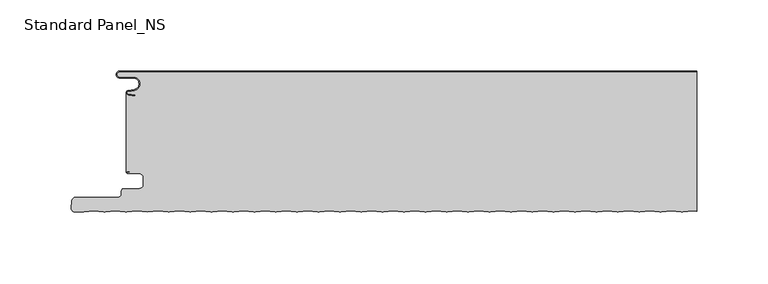
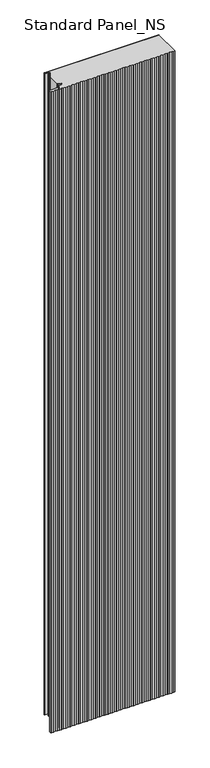
"""IFC4 building model written with IfcOpenShell, lengths in millimetres: proxy geometry, Standard Panel_NS."""

from ifc_helpers import new_model, si_unit, point, frame, frame_2d, origin, origin_with_axes, place, context, project, spatial, polyline, circle_curve, trimmed, segment, composite_curve, outline, extrude, source, transform, mapped, element, save
from ifc_brep_helpers import plane_surface, cylinder_surface, revolved_surface, advanced_brep


def standard_panel_ns_615e825b(model_context):
    return source(origin(), model_context, "Body", "SolidModel", [
        advanced_brep(
        [(200.9757266, -98.2307297, 2400.0), (203.9042607, -98.621201, 2400.0), (203.9042607, -0.8, 2400.0), (-201.4521486, -0.8, 2400.0), (-201.4521486, -4.2, 2400.0), (-191.9521486, -4.2, 2400.0), (-191.1186374, -13.7270772, 2400.0), (-195.4434036, -14.4896502, 2400.0), (-195.4169535, -16.0695512, 2400.0), (-190.4928263, -16.7687564, 2400.0), (-190.6052947, -17.5608112, 2400.0), (-195.529422, -16.8616061, 2400.0), (-196.9042607, -15.3042944, 2400.0), (-196.9042057, -71.327315, 2400.0), (-195.7650669, -70.5050506, 2400.0), (-194.3950677, -70.5050506, 2400.0), (-194.3950677, -71.3050506, 2400.0), (-195.7650669, -71.3050506, 2400.0), (-195.7650669, -72.1054413, 2400.0), (-188.0058392, -72.1054413, 2400.0), (-184.8560353, -75.2552452, 2400.0), (-184.8560353, -79.6552467, 2400.0), (-188.0058392, -82.8050506, 2400.0), (-198.67533, -82.8050506, 2400.0), (-200.2755261, -84.4052467, 2400.0), (-200.2755261, -86.4052467, 2400.0), (-202.67533, -88.8050506, 2400.0), (-232.3045986, -88.8050506, 2400.0), (-235.1937635, -91.4524611, 2400.0), (-235.6090836, -96.199151, 2400.0), (-232.8591806, -99.2001678, 2400.0), (-226.8685673, -99.2001678, 2400.0), (-219.5977818, -98.2307297, 2400.0), (-212.564124, -99.1685508, 2400.0), (-211.6109571, -99.1685508, 2400.0), (-204.5772994, -98.2307297, 2400.0), (-197.5436416, -99.1685508, 2400.0), (-196.5904747, -99.1685508, 2400.0), (-189.5568169, -98.2307297, 2400.0), (-182.0465757, -99.2320952, 2400.0), (-174.5363345, -98.2307297, 2400.0), (-167.5026767, -99.1685508, 2400.0), (-166.5495098, -99.1685508, 2400.0), (-159.515852, -98.2307297, 2400.0), (-152.4821943, -99.1685508, 2400.0), (-151.5290274, -99.1685508, 2400.0), (-144.4953696, -98.2307297, 2400.0), (-137.4617118, -99.1685508, 2400.0), (-136.5085449, -99.1685508, 2400.0), (-129.4748871, -98.2307297, 2400.0), (-122.4412294, -99.1685508, 2400.0), (-121.4880625, -99.1685508, 2400.0), (-114.4544047, -98.2307297, 2400.0), (-107.4207469, -99.1685508, 2400.0), (-106.46758, -99.1685508, 2400.0), (-99.4339222, -98.2307297, 2400.0), (-92.4002645, -99.1685508, 2400.0), (-91.4470976, -99.1685508, 2400.0), (-84.4134398, -98.2307297, 2400.0), (-77.379782, -99.1685508, 2400.0), (-76.4266151, -99.1685508, 2400.0), (-69.3929573, -98.2307297, 2400.0), (-62.3592996, -99.1685508, 2400.0), (-61.4061327, -99.1685508, 2400.0), (-54.3724749, -98.2307297, 2400.0), (-47.3388172, -99.1685508, 2400.0), (-46.3856502, -99.1685508, 2400.0), (-39.3519925, -98.2307297, 2400.0), (-32.3183347, -99.1685508, 2400.0), (-31.3651678, -99.1685508, 2400.0), (-24.33151, -98.2307297, 2400.0), (-17.2978523, -99.1685508, 2400.0), (-16.3446854, -99.1685508, 2400.0), (-9.3110276, -98.2307297, 2400.0), (-2.2773698, -99.1685508, 2400.0), (-1.3242029, -99.1685508, 2400.0), (5.7094549, -98.2307297, 2400.0), (12.7431126, -99.1685508, 2400.0), (13.6962795, -99.1685508, 2400.0), (20.7299373, -98.2307297, 2400.0), (27.7635951, -99.1685508, 2400.0), (28.716762, -99.1685508, 2400.0), (35.7504198, -98.2307297, 2400.0), (42.7840775, -99.1685508, 2400.0), (43.7372444, -99.1685508, 2400.0), (50.7709022, -98.2307297, 2400.0), (57.80456, -99.1685508, 2400.0), (58.7577269, -99.1685508, 2400.0), (65.7913846, -98.2307297, 2400.0), (72.8250424, -99.1685508, 2400.0), (73.7782093, -99.1685508, 2400.0), (80.8118671, -98.2307297, 2400.0), (87.8455248, -99.1685508, 2400.0), (88.7986918, -99.1685508, 2400.0), (95.8323495, -98.2307297, 2400.0), (102.8660073, -99.1685508, 2400.0), (103.8191742, -99.1685508, 2400.0), (110.852832, -98.2307297, 2400.0), (117.8864897, -99.1685508, 2400.0), (118.8396566, -99.1685508, 2400.0), (125.8733144, -98.2307297, 2400.0), (132.9069722, -99.1685508, 2400.0), (133.8601391, -99.1685508, 2400.0), (140.8937969, -98.2307297, 2400.0), (147.9274546, -99.1685508, 2400.0), (148.8806215, -99.1685508, 2400.0), (155.9142793, -98.2307297, 2400.0), (162.9479371, -99.1685508, 2400.0), (163.901104, -99.1685508, 2400.0), (170.9347618, -98.2307297, 2400.0), (177.9684195, -99.1685508, 2400.0), (178.9215864, -99.1685508, 2400.0), (185.9552442, -98.2307297, 2400.0), (192.9889019, -99.1685508, 2400.0), (193.9420689, -99.1685508, 2400.0), (-196.9042057, -71.327315, 0.0), (-196.9042607, -15.3042944, 0.0), (-195.529422, -16.8616061, 0.0), (-190.6052947, -17.5608112, 0.0), (-190.4928263, -16.7687564, 0.0), (-195.4169535, -16.0695512, 0.0), (-195.4434036, -14.4896502, 0.0), (-191.1186374, -13.7270772, 0.0), (-191.9521486, -4.2, 0.0), (-201.4521486, -4.2, 0.0), (-201.4521486, -0.8, 0.0), (203.9042607, -0.8, 0.0), (203.9042607, -98.621201, 0.0), (200.9757266, -98.2307297, 0.0), (193.9420689, -99.1685508, 0.0), (192.9889019, -99.1685508, 0.0), (185.9552442, -98.2307297, 0.0), (178.9215864, -99.1685508, 0.0), (177.9684195, -99.1685508, 0.0), (170.9347618, -98.2307297, 0.0), (163.901104, -99.1685508, 0.0), (162.9479371, -99.1685508, 0.0), (155.9142793, -98.2307297, 0.0), (148.8806215, -99.1685508, 0.0), (147.9274546, -99.1685508, 0.0), (140.8937969, -98.2307297, 0.0), (133.8601391, -99.1685508, 0.0), (132.9069722, -99.1685508, 0.0), (125.8733144, -98.2307297, 0.0), (118.8396566, -99.1685508, 0.0), (117.8864897, -99.1685508, 0.0), (110.852832, -98.2307297, 0.0), (103.8191742, -99.1685508, 0.0), (102.8660073, -99.1685508, 0.0), (95.8323495, -98.2307297, 0.0), (88.7986918, -99.1685508, 0.0), (87.8455248, -99.1685508, 0.0), (80.8118671, -98.2307297, 0.0), (73.7782093, -99.1685508, 0.0), (72.8250424, -99.1685508, 0.0), (65.7913846, -98.2307297, 0.0), (58.7577269, -99.1685508, 0.0), (57.80456, -99.1685508, 0.0), (50.7709022, -98.2307297, 0.0), (43.7372444, -99.1685508, 0.0), (42.7840775, -99.1685508, 0.0), (35.7504198, -98.2307297, 0.0), (28.716762, -99.1685508, 0.0), (27.7635951, -99.1685508, 0.0), (20.7299373, -98.2307297, 0.0), (13.6962795, -99.1685508, 0.0), (12.7431126, -99.1685508, 0.0), (5.7094549, -98.2307297, 0.0), (-1.3242029, -99.1685508, 0.0), (-2.2773698, -99.1685508, 0.0), (-9.3110276, -98.2307297, 0.0), (-16.3446854, -99.1685508, 0.0), (-17.2978523, -99.1685508, 0.0), (-24.33151, -98.2307297, 0.0), (-31.3651678, -99.1685508, 0.0), (-32.3183347, -99.1685508, 0.0), (-39.3519925, -98.2307297, 0.0), (-46.3856502, -99.1685508, 0.0), (-47.3388172, -99.1685508, 0.0), (-54.3724749, -98.2307297, 0.0), (-61.4061327, -99.1685508, 0.0), (-62.3592996, -99.1685508, 0.0), (-69.3929573, -98.2307297, 0.0), (-76.4266151, -99.1685508, 0.0), (-77.379782, -99.1685508, 0.0), (-84.4134398, -98.2307297, 0.0), (-91.4470976, -99.1685508, 0.0), (-92.4002645, -99.1685508, 0.0), (-99.4339222, -98.2307297, 0.0), (-106.46758, -99.1685508, 0.0), (-107.4207469, -99.1685508, 0.0), (-114.4544047, -98.2307297, 0.0), (-121.4880625, -99.1685508, 0.0), (-122.4412294, -99.1685508, 0.0), (-129.4748871, -98.2307297, 0.0), (-136.5085449, -99.1685508, 0.0), (-137.4617118, -99.1685508, 0.0), (-144.4953696, -98.2307297, 0.0), (-151.5290274, -99.1685508, 0.0), (-152.4821943, -99.1685508, 0.0), (-159.515852, -98.2307297, 0.0), (-166.5495098, -99.1685508, 0.0), (-167.5026767, -99.1685508, 0.0), (-174.5363345, -98.2307297, 0.0), (-182.0465757, -99.2320952, 0.0), (-189.5568169, -98.2307297, 0.0), (-196.5904747, -99.1685508, 0.0), (-197.5436416, -99.1685508, 0.0), (-204.5772994, -98.2307297, 0.0), (-211.6109571, -99.1685508, 0.0), (-212.564124, -99.1685508, 0.0), (-219.5977818, -98.2307297, 0.0), (-226.8685673, -99.2001678, 0.0), (-232.8591806, -99.2001678, 0.0), (-235.6090836, -96.199151, 0.0), (-235.1937635, -91.4524611, 0.0), (-232.3045986, -88.8050506, 0.0), (-202.67533, -88.8050506, 0.0), (-200.2755261, -86.4052467, 0.0), (-200.2755261, -84.4052467, 0.0), (-198.67533, -82.8050506, 0.0), (-188.0058392, -82.8050506, 0.0), (-184.8560353, -79.6552467, 0.0), (-184.8560353, -75.2552452, 0.0), (-188.0058392, -72.1054412, 0.0), (-195.7650669, -72.1054413, 0.0), (-195.7650669, -71.3050506, 0.0), (-194.3950677, -71.3050506, 0.0), (-194.3950677, -70.5050506, 0.0), (-195.7650669, -70.5050506, 0.0)],
        [
            (0, 1),
            (1, 2),
            (2, 3),
            (3, 4, circle_curve(frame((-201.4521486, -2.5, 2400.0), z_axis=(0.0, 0.0, 1.0), x_axis=(2.9071553329994335e-12, 1.0, 0.0)), 1.7)),
            (4, 5),
            (5, 6, circle_curve(frame((-191.9521486, -9.0, 2400.0), z_axis=(0.0, 0.0, -1.0), x_axis=(1.863723325530669e-12, 1.0, 0.0)), 4.8)),
            (6, 7),
            (7, 8, circle_curve(frame((-195.3044851, -15.2774964, 2400.0), z_axis=(0.0, 0.0, 1.0), x_axis=(-0.17364817766971952, 0.9848077530117163, 0.0)), 0.8)),
            (8, 9),
            (9, 10),
            (10, 11),
            (11, 12, circle_curve(frame((-195.3044851, -15.2774964, 2400.0), z_axis=(0.0, 0.0, -1.0), x_axis=(-0.17364817766971952, 0.9848077530117163, 0.0)), 1.6)),
            (12, 13),
            (13, 14, circle_curve(frame((-195.7650669, -71.7052459, 2400.0), z_axis=(0.0, 0.0, -1.0), x_axis=(0.0, 1.0, 0.0)), 1.2001953)),
            (14, 15),
            (15, 16),
            (16, 17),
            (17, 18, circle_curve(frame((-195.7650669, -71.7052459, 2400.0), z_axis=(0.0, 0.0, 1.0), x_axis=(0.0, 1.0, 0.0)), 0.4001953)),
            (18, 19),
            (19, 20, circle_curve(frame((-188.0058392, -75.2552452, 2400.0), z_axis=(0.0, 0.0, -1.0), x_axis=(-8.279395323838365e-05, 0.9999999965725807, 0.0)), 3.1498039)),
            (20, 21),
            (21, 22, circle_curve(frame((-188.0058392, -79.6552467, 2400.0), z_axis=(0.0, 0.0, -1.0), x_axis=(0.9999999965725804, -8.27939563282879e-05, 0.0)), 3.1498039)),
            (22, 23),
            (23, 24, circle_curve(frame((-198.67533, -84.4052467, 2400.0), z_axis=(0.0, 0.0, 1.0), x_axis=(-8.105569453527465e-05, 0.9999999967149873, 0.0)), 1.6001961)),
            (24, 25),
            (25, 26, circle_curve(frame((-202.67533, -86.4052467, 2400.0), z_axis=(0.0, 0.0, -1.0), x_axis=(0.9999999926057013, -0.00012160837719944603, 0.0)), 2.3998039)),
            (26, 27),
            (27, 28, circle_curve(frame((-232.3045986, -91.7052538, 2400.0), z_axis=(0.0, 0.0, 1.0), x_axis=(-5.9816804069483736e-05, 0.9999999982109751, 0.0)), 2.9002032)),
            (28, 29),
            (29, 30, circle_curve(frame((-232.8591806, -96.4397587, 2400.0), z_axis=(0.0, 0.0, 1.0), x_axis=(-0.9961854900933174, 0.08726092669423802, 0.0)), 2.7604092)),
            (30, 31),
            (31, 32),
            (32, 33),
            (33, 34, circle_curve(frame((-212.0875406, -95.5941749, 2400.0), z_axis=(0.0, 0.0, 1.0), x_axis=(-0.1321637200962343, -0.9912279006819392, 0.0)), 3.6060082)),
            (34, 35),
            (35, 36),
            (36, 37, circle_curve(frame((-197.0670581, -95.5941749, 2400.0), z_axis=(0.0, 0.0, 1.0), x_axis=(-0.13216372008395674, -0.9912279006835761, 0.0)), 3.6060082)),
            (37, 38),
            (38, 39),
            (39, 40),
            (40, 41),
            (41, 42, circle_curve(frame((-167.0260933, -95.5941749, 2400.0), z_axis=(0.0, 0.0, 1.0), x_axis=(-0.13216372069094426, -0.9912279006026445, 0.0)), 3.6060082)),
            (42, 43),
            (43, 44),
            (44, 45, circle_curve(frame((-152.0056108, -95.5941749, 2400.0), z_axis=(0.0, 0.0, 1.0), x_axis=(-0.13216372067834242, -0.9912279006043248, 0.0)), 3.6060082)),
            (45, 46),
            (46, 47),
            (47, 48, circle_curve(frame((-136.9851284, -95.5941749, 2400.0), z_axis=(0.0, 0.0, 1.0), x_axis=(-0.13216372069083632, -0.991227900602659, 0.0)), 3.6060082)),
            (48, 49),
            (49, 50),
            (50, 51, circle_curve(frame((-121.9646459, -95.5941749, 2400.0), z_axis=(0.0, 0.0, 1.0), x_axis=(-0.13216372067834242, -0.9912279006043248, 0.0)), 3.6060082)),
            (51, 52),
            (52, 53),
            (53, 54, circle_curve(frame((-106.9441635, -95.5941749, 2400.0), z_axis=(0.0, 0.0, 1.0), x_axis=(-0.13216372069083587, -0.991227900602659, 0.0)), 3.6060082)),
            (54, 55),
            (55, 56),
            (56, 57, circle_curve(frame((-91.923681, -95.5941749, 2400.0), z_axis=(0.0, 0.0, 1.0), x_axis=(-0.1321637206909443, -0.9912279006026445, 0.0)), 3.6060082)),
            (57, 58),
            (58, 59),
            (59, 60, circle_curve(frame((-76.9031986, -95.5941749, 2400.0), z_axis=(0.0, 0.0, 1.0), x_axis=(-0.13216372067834242, -0.9912279006043248, 0.0)), 3.6060082)),
            (60, 61),
            (61, 62),
            (62, 63, circle_curve(frame((-61.8827161, -95.5941749, 2400.0), z_axis=(0.0, 0.0, 1.0), x_axis=(-0.13216372067834242, -0.9912279006043248, 0.0)), 3.6060082)),
            (63, 64),
            (64, 65),
            (65, 66, circle_curve(frame((-46.8622337, -95.5941749, 2400.0), z_axis=(0.0, 0.0, 1.0), x_axis=(-0.13216372067834242, -0.9912279006043249, 0.0)), 3.6060082)),
            (66, 67),
            (67, 68),
            (68, 69, circle_curve(frame((-31.8417513, -95.5941749, 2400.0), z_axis=(0.0, 0.0, 1.0), x_axis=(-0.13216372069083587, -0.991227900602659, 0.0)), 3.6060082)),
            (69, 70),
            (70, 71),
            (71, 72, circle_curve(frame((-16.8212688, -95.5941749, 2400.0), z_axis=(0.0, 0.0, 1.0), x_axis=(-0.13216372067834242, -0.9912279006043249, 0.0)), 3.6060082)),
            (72, 73),
            (73, 74),
            (74, 75, circle_curve(frame((-1.8007864, -95.5941749, 2400.0), z_axis=(0.0, 0.0, 1.0), x_axis=(-0.13216372067834242, -0.9912279006043249, 0.0)), 3.6060082)),
            (75, 76),
            (76, 77),
            (77, 78, circle_curve(frame((13.2196961, -95.5941749, 2400.0), z_axis=(0.0, 0.0, 1.0), x_axis=(-0.13216372067834242, -0.9912279006043248, 0.0)), 3.6060082)),
            (78, 79),
            (79, 80),
            (80, 81, circle_curve(frame((28.2401785, -95.5941749, 2400.0), z_axis=(0.0, 0.0, 1.0), x_axis=(-0.13216372069083632, -0.991227900602659, 0.0)), 3.6060082)),
            (81, 82),
            (82, 83),
            (83, 84, circle_curve(frame((43.260661, -95.5941749, 2400.0), z_axis=(0.0, 0.0, 1.0), x_axis=(-0.1321637206909443, -0.9912279006026445, 0.0)), 3.6060082)),
            (84, 85),
            (85, 86),
            (86, 87, circle_curve(frame((58.2811434, -95.5941749, 2400.0), z_axis=(0.0, 0.0, 1.0), x_axis=(-0.13216372067834242, -0.9912279006043249, 0.0)), 3.6060082)),
            (87, 88),
            (88, 89),
            (89, 90, circle_curve(frame((73.3016259, -95.5941749, 2400.0), z_axis=(0.0, 0.0, 1.0), x_axis=(-0.1321637206909443, -0.9912279006026445, 0.0)), 3.6060082)),
            (90, 91),
            (91, 92),
            (92, 93, circle_curve(frame((88.3221083, -95.5941749, 2400.0), z_axis=(0.0, 0.0, 1.0), x_axis=(-0.13216372067834242, -0.9912279006043248, 0.0)), 3.6060082)),
            (93, 94),
            (94, 95),
            (95, 96, circle_curve(frame((103.3425907, -95.5941749, 2400.0), z_axis=(0.0, 0.0, 1.0), x_axis=(-0.1321637206908359, -0.991227900602659, 0.0)), 3.6060082)),
            (96, 97),
            (97, 98),
            (98, 99, circle_curve(frame((118.3630732, -95.5941749, 2400.0), z_axis=(0.0, 0.0, 1.0), x_axis=(-0.13216372069094426, -0.9912279006026445, 0.0)), 3.6060082)),
            (99, 100),
            (100, 101),
            (101, 102, circle_curve(frame((133.3835556, -95.5941749, 2400.0), z_axis=(0.0, 0.0, 1.0), x_axis=(-0.13216372067834242, -0.9912279006043248, 0.0)), 3.6060082)),
            (102, 103),
            (103, 104),
            (104, 105, circle_curve(frame((148.4040381, -95.5941749, 2400.0), z_axis=(0.0, 0.0, 1.0), x_axis=(-0.1321637206909443, -0.9912279006026445, 0.0)), 3.6060082)),
            (105, 106),
            (106, 107),
            (107, 108, circle_curve(frame((163.4245205, -95.5941749, 2400.0), z_axis=(0.0, 0.0, 1.0), x_axis=(-0.1321637206908359, -0.991227900602659, 0.0)), 3.6060082)),
            (108, 109),
            (109, 110),
            (110, 111, circle_curve(frame((178.445003, -95.5941749, 2400.0), z_axis=(0.0, 0.0, 1.0), x_axis=(-0.13216372067834242, -0.9912279006043248, 0.0)), 3.6060082)),
            (111, 112),
            (112, 113),
            (113, 114, circle_curve(frame((193.4654854, -95.5941749, 2400.0), z_axis=(0.0, 0.0, 1.0), x_axis=(-0.1321637206908363, -0.991227900602659, 0.0)), 3.6060082)),
            (114, 0),
            (115, 116),
            (116, 117, circle_curve(frame((-195.3044851, -15.2774964, 0.0), z_axis=(0.0, 0.0, 1.0), x_axis=(-0.17364817766971952, 0.9848077530117163, 0.0)), 1.6)),
            (117, 118),
            (118, 119),
            (119, 120),
            (120, 121, circle_curve(frame((-195.3044851, -15.2774964, 0.0), z_axis=(0.0, 0.0, -1.0), x_axis=(-0.17364817766971952, 0.9848077530117163, 0.0)), 0.8)),
            (121, 122),
            (122, 123, circle_curve(frame((-191.9521486, -9.0, 0.0), z_axis=(0.0, 0.0, 1.0), x_axis=(1.863723325530669e-12, 1.0, 0.0)), 4.8)),
            (123, 124),
            (124, 125, circle_curve(frame((-201.4521486, -2.5, 0.0), z_axis=(0.0, 0.0, -1.0), x_axis=(2.9071553329994335e-12, 1.0, 0.0)), 1.7)),
            (125, 126),
            (126, 127),
            (127, 128),
            (128, 129),
            (129, 130, circle_curve(frame((193.4654854, -95.5941749, 0.0), z_axis=(0.0, 0.0, -1.0), x_axis=(-0.1321637206908363, -0.991227900602659, 0.0)), 3.6060082)),
            (130, 131),
            (131, 132),
            (132, 133, circle_curve(frame((178.445003, -95.5941749, 0.0), z_axis=(0.0, 0.0, -1.0), x_axis=(-0.13216372067834242, -0.9912279006043248, 0.0)), 3.6060082)),
            (133, 134),
            (134, 135),
            (135, 136, circle_curve(frame((163.4245205, -95.5941749, 0.0), z_axis=(0.0, 0.0, -1.0), x_axis=(-0.1321637206908359, -0.991227900602659, 0.0)), 3.6060082)),
            (136, 137),
            (137, 138),
            (138, 139, circle_curve(frame((148.4040381, -95.5941749, 0.0), z_axis=(0.0, 0.0, -1.0), x_axis=(-0.1321637206909443, -0.9912279006026445, 0.0)), 3.6060082)),
            (139, 140),
            (140, 141),
            (141, 142, circle_curve(frame((133.3835556, -95.5941749, 0.0), z_axis=(0.0, 0.0, -1.0), x_axis=(-0.13216372067834242, -0.9912279006043248, 0.0)), 3.6060082)),
            (142, 143),
            (143, 144),
            (144, 145, circle_curve(frame((118.3630732, -95.5941749, 0.0), z_axis=(0.0, 0.0, -1.0), x_axis=(-0.13216372069094426, -0.9912279006026445, 0.0)), 3.6060082)),
            (145, 146),
            (146, 147),
            (147, 148, circle_curve(frame((103.3425907, -95.5941749, 0.0), z_axis=(0.0, 0.0, -1.0), x_axis=(-0.1321637206908359, -0.991227900602659, 0.0)), 3.6060082)),
            (148, 149),
            (149, 150),
            (150, 151, circle_curve(frame((88.3221083, -95.5941749, 0.0), z_axis=(0.0, 0.0, -1.0), x_axis=(-0.13216372067834242, -0.9912279006043248, 0.0)), 3.6060082)),
            (151, 152),
            (152, 153),
            (153, 154, circle_curve(frame((73.3016259, -95.5941749, 0.0), z_axis=(0.0, 0.0, -1.0), x_axis=(-0.1321637206909443, -0.9912279006026445, 0.0)), 3.6060082)),
            (154, 155),
            (155, 156),
            (156, 157, circle_curve(frame((58.2811434, -95.5941749, 0.0), z_axis=(0.0, 0.0, -1.0), x_axis=(-0.13216372067834242, -0.9912279006043249, 0.0)), 3.6060082)),
            (157, 158),
            (158, 159),
            (159, 160, circle_curve(frame((43.260661, -95.5941749, 0.0), z_axis=(0.0, 0.0, -1.0), x_axis=(-0.1321637206909443, -0.9912279006026445, 0.0)), 3.6060082)),
            (160, 161),
            (161, 162),
            (162, 163, circle_curve(frame((28.2401785, -95.5941749, 0.0), z_axis=(0.0, 0.0, -1.0), x_axis=(-0.13216372069083632, -0.991227900602659, 0.0)), 3.6060082)),
            (163, 164),
            (164, 165),
            (165, 166, circle_curve(frame((13.2196961, -95.5941749, 0.0), z_axis=(0.0, 0.0, -1.0), x_axis=(-0.13216372067834242, -0.9912279006043248, 0.0)), 3.6060082)),
            (166, 167),
            (167, 168),
            (168, 169, circle_curve(frame((-1.8007864, -95.5941749, 0.0), z_axis=(0.0, 0.0, -1.0), x_axis=(-0.13216372067834242, -0.9912279006043249, 0.0)), 3.6060082)),
            (169, 170),
            (170, 171),
            (171, 172, circle_curve(frame((-16.8212688, -95.5941749, 0.0), z_axis=(0.0, 0.0, -1.0), x_axis=(-0.13216372067834242, -0.9912279006043249, 0.0)), 3.6060082)),
            (172, 173),
            (173, 174),
            (174, 175, circle_curve(frame((-31.8417513, -95.5941749, 0.0), z_axis=(0.0, 0.0, -1.0), x_axis=(-0.13216372069083587, -0.991227900602659, 0.0)), 3.6060082)),
            (175, 176),
            (176, 177),
            (177, 178, circle_curve(frame((-46.8622337, -95.5941749, 0.0), z_axis=(0.0, 0.0, -1.0), x_axis=(-0.13216372067834242, -0.9912279006043249, 0.0)), 3.6060082)),
            (178, 179),
            (179, 180),
            (180, 181, circle_curve(frame((-61.8827161, -95.5941749, 0.0), z_axis=(0.0, 0.0, -1.0), x_axis=(-0.13216372067834242, -0.9912279006043248, 0.0)), 3.6060082)),
            (181, 182),
            (182, 183),
            (183, 184, circle_curve(frame((-76.9031986, -95.5941749, 0.0), z_axis=(0.0, 0.0, -1.0), x_axis=(-0.13216372067834242, -0.9912279006043248, 0.0)), 3.6060082)),
            (184, 185),
            (185, 186),
            (186, 187, circle_curve(frame((-91.923681, -95.5941749, 0.0), z_axis=(0.0, 0.0, -1.0), x_axis=(-0.1321637206909443, -0.9912279006026445, 0.0)), 3.6060082)),
            (187, 188),
            (188, 189),
            (189, 190, circle_curve(frame((-106.9441635, -95.5941749, 0.0), z_axis=(0.0, 0.0, -1.0), x_axis=(-0.13216372069083587, -0.991227900602659, 0.0)), 3.6060082)),
            (190, 191),
            (191, 192),
            (192, 193, circle_curve(frame((-121.9646459, -95.5941749, 0.0), z_axis=(0.0, 0.0, -1.0), x_axis=(-0.13216372067834242, -0.9912279006043248, 0.0)), 3.6060082)),
            (193, 194),
            (194, 195),
            (195, 196, circle_curve(frame((-136.9851284, -95.5941749, 0.0), z_axis=(0.0, 0.0, -1.0), x_axis=(-0.13216372069083632, -0.991227900602659, 0.0)), 3.6060082)),
            (196, 197),
            (197, 198),
            (198, 199, circle_curve(frame((-152.0056108, -95.5941749, 0.0), z_axis=(0.0, 0.0, -1.0), x_axis=(-0.13216372067834242, -0.9912279006043248, 0.0)), 3.6060082)),
            (199, 200),
            (200, 201),
            (201, 202, circle_curve(frame((-167.0260933, -95.5941749, 0.0), z_axis=(0.0, 0.0, -1.0), x_axis=(-0.13216372069094426, -0.9912279006026445, 0.0)), 3.6060082)),
            (202, 203),
            (203, 204),
            (204, 205),
            (205, 206),
            (206, 207, circle_curve(frame((-197.0670581, -95.5941749, 0.0), z_axis=(0.0, 0.0, -1.0), x_axis=(-0.13216372008395674, -0.9912279006835761, 0.0)), 3.6060082)),
            (207, 208),
            (208, 209),
            (209, 210, circle_curve(frame((-212.0875406, -95.5941749, 0.0), z_axis=(0.0, 0.0, -1.0), x_axis=(-0.1321637200962343, -0.9912279006819392, 0.0)), 3.6060082)),
            (210, 211),
            (211, 212),
            (212, 213),
            (213, 214, circle_curve(frame((-232.8591806, -96.4397587, 0.0), z_axis=(0.0, 0.0, -1.0), x_axis=(-0.9961854900933174, 0.08726092669423802, 0.0)), 2.7604092)),
            (214, 215),
            (215, 216, circle_curve(frame((-232.3045986, -91.7052538, 0.0), z_axis=(0.0, 0.0, -1.0), x_axis=(-5.9816804069483736e-05, 0.9999999982109751, 0.0)), 2.9002032)),
            (216, 217),
            (217, 218, circle_curve(frame((-202.67533, -86.4052467, 0.0), z_axis=(0.0, 0.0, 1.0), x_axis=(0.9999999926057013, -0.00012160837719944603, 0.0)), 2.3998039)),
            (218, 219),
            (219, 220, circle_curve(frame((-198.67533, -84.4052467, 0.0), z_axis=(0.0, 0.0, -1.0), x_axis=(-8.105569453527465e-05, 0.9999999967149873, 0.0)), 1.6001961)),
            (220, 221),
            (221, 222, circle_curve(frame((-188.0058392, -79.6552467, 0.0), z_axis=(0.0, 0.0, 1.0), x_axis=(0.9999999965725804, -8.27939563282879e-05, 0.0)), 3.1498039)),
            (222, 223),
            (223, 224, circle_curve(frame((-188.0058392, -75.2552452, 0.0), z_axis=(0.0, 0.0, 1.0), x_axis=(-8.279395323838365e-05, 0.9999999965725807, 0.0)), 3.1498039)),
            (224, 225),
            (225, 226, circle_curve(frame((-195.7650669, -71.7052459, 0.0), z_axis=(0.0, 0.0, -1.0), x_axis=(0.0, 1.0, 0.0)), 0.4001953)),
            (226, 227),
            (227, 228),
            (228, 229),
            (229, 115, circle_curve(frame((-195.7650669, -71.7052459, 0.0), z_axis=(0.0, 0.0, 1.0), x_axis=(0.0, 1.0, 0.0)), 1.2001953)),
            (31, 212),
            (211, 32),
            (28, 215),
            (214, 29),
            (25, 218),
            (217, 26),
            (24, 219),
            (21, 222),
            (221, 22),
            (20, 223),
            (19, 224),
            (17, 226),
            (225, 18),
            (16, 227),
            (15, 228),
            (11, 117),
            (116, 12),
            (10, 118),
            (9, 119),
            (8, 120),
            (7, 121),
            (6, 122),
            (5, 123),
            (4, 124),
            (3, 125),
            (2, 126),
            (1, 127),
            (110, 133),
            (132, 111),
            (131, 112),
            (130, 113),
            (129, 114),
            (0, 128),
            (109, 134),
            (115, 13),
            (108, 135),
            (107, 136),
            (106, 137),
            (105, 138),
            (104, 139),
            (103, 140),
            (102, 141),
            (101, 142),
            (100, 143),
            (99, 144),
            (98, 145),
            (97, 146),
            (96, 147),
            (95, 148),
            (94, 149),
            (93, 150),
            (92, 151),
            (91, 152),
            (90, 153),
            (89, 154),
            (88, 155),
            (87, 156),
            (86, 157),
            (85, 158),
            (84, 159),
            (83, 160),
            (82, 161),
            (81, 162),
            (80, 163),
            (79, 164),
            (78, 165),
            (77, 166),
            (76, 167),
            (75, 168),
            (74, 169),
            (73, 170),
            (72, 171),
            (71, 172),
            (70, 173),
            (69, 174),
            (68, 175),
            (67, 176),
            (66, 177),
            (65, 178),
            (64, 179),
            (63, 180),
            (62, 181),
            (61, 182),
            (60, 183),
            (59, 184),
            (58, 185),
            (57, 186),
            (56, 187),
            (55, 188),
            (54, 189),
            (53, 190),
            (52, 191),
            (51, 192),
            (50, 193),
            (49, 194),
            (48, 195),
            (47, 196),
            (46, 197),
            (45, 198),
            (44, 199),
            (43, 200),
            (42, 201),
            (41, 202),
            (40, 203),
            (39, 204),
            (38, 205),
            (37, 206),
            (36, 207),
            (35, 208),
            (34, 209),
            (33, 210),
            (30, 213),
            (27, 216),
            (23, 220),
            (14, 229),
        ],
        [
            plane_surface(frame((316.0957393, -99.2, 2400.0), z_axis=(0.0, 0.0, 1.0), x_axis=(0.0, -1.0, 0.0))),
            plane_surface(frame((316.0957393, -99.2, 0.0), z_axis=(0.0, 0.0, -1.0), x_axis=(0.0, -1.0, 0.0))),
            plane_surface(frame((-219.5977818, -98.2307297, 2400.0), z_axis=(0.13216372070690546, -0.9912279006005164, 0.0), x_axis=(0.0, 0.0, -1.0))),
            plane_surface(frame((-235.6090836, -96.199151, 2400.0), z_axis=(-0.9961939956053468, 0.08716377183127401, 0.0), x_axis=(0.0, 0.0, -1.0))),
            revolved_surface(polyline([(-200.27552611774487, -86.40553853625788, 0.0), (-200.27552611774487, -86.40553853625788, 2400.0)]), (-202.67533, -86.4052467, 2400.0), (0.0, 0.0, -1.0)),
            plane_surface(frame((-200.2755261, -86.4052467, 2400.0), z_axis=(-1.0, 0.0, 0.0), x_axis=(0.0, 0.0, -1.0))),
            revolved_surface(polyline([(-184.8560353107957, -79.65550748472654, 0.0), (-184.8560353107957, -79.65550748472654, 2400.0)]), (-188.0058392, -79.6552467, 2400.0), (0.0, 0.0, -1.0)),
            plane_surface(frame((-184.8560353, -79.6552467, 2400.0), z_axis=(-1.0, 0.0, 0.0), x_axis=(0.0, 0.0, -1.0))),
            revolved_surface(polyline([(-188.0060999847168, -72.1054413107957, 0.0), (-188.0060999847168, -72.1054413107957, 2400.0)]), (-188.0058392, -75.2552452, 2400.0), (0.0, 0.0, -1.0)),
            cylinder_surface(frame((-195.7650669, -71.7052459, 2400.0), z_axis=(0.0, 0.0, 1.0), x_axis=(0.0, 1.0, 0.0)), 0.4001953),
            plane_surface(frame((-195.7650669, -71.3050506, 2400.0), z_axis=(0.0, 1.0, 0.0), x_axis=(0.0, 0.0, -1.0))),
            plane_surface(frame((-194.3950677, -71.3050506, 2400.0), z_axis=(-1.0, 0.0, 0.0), x_axis=(0.0, 0.0, -1.0))),
            revolved_surface(polyline([(-195.58232218427153, -13.701803995181255, -9.094947017729282e-13), (-195.58232218427153, -13.701803995181255, 2400.0)]), (-195.3044851, -15.2774964, 2400.0), (0.0, 0.0, -1.0000000000000002)),
            plane_surface(frame((-195.529422, -16.8616061, 2400.0), z_axis=(0.14058552792120363, 0.9900685376978287, 0.0), x_axis=(0.0, 0.0, -1.0))),
            plane_surface(frame((-190.6052947, -17.5608112, 2400.0), z_axis=(-0.9900685376978338, 0.14058552792116694, 0.0), x_axis=(0.0, 0.0, -1.0))),
            plane_surface(frame((-190.4928263, -16.7687564, 2400.0), z_axis=(-0.1405855279212039, -0.9900685376978285, 0.0), x_axis=(0.0, 0.0, -1.0))),
            cylinder_surface(frame((-195.3044851, -15.2774964, 2400.0), z_axis=(0.0, 0.0, 1.0000000000000002), x_axis=(-0.17364817766971952, 0.9848077530117163, 0.0)), 0.8),
            plane_surface(frame((-195.4434036, -14.4896502, 2400.0), z_axis=(-0.1736481776670618, 0.9848077530121849, 0.0), x_axis=(0.0, 0.0, -1.0))),
            revolved_surface(polyline([(-191.95214859999103, -4.2, 0.0), (-191.95214859999103, -4.2, 2400.0)]), (-191.9521486, -9.0, 2400.0), (0.0, 0.0, -1.0)),
            plane_surface(frame((-191.9521486, -4.2, 2400.0), z_axis=(0.0, -1.0, 0.0), x_axis=(0.0, 0.0, -1.0))),
            cylinder_surface(frame((-201.4521486, -2.5, 2400.0), z_axis=(0.0, 0.0, 1.0), x_axis=(2.9071553329994335e-12, 1.0, 0.0)), 1.7),
            plane_surface(frame((-201.4521486, -0.8, 2400.0), z_axis=(0.0, 1.0, 0.0), x_axis=(0.0, 0.0, -1.0))),
            plane_surface(frame((203.9042607, -102.0, 2400.0), z_axis=(1.0, 0.0, 0.0), x_axis=(0.0, 0.0, -1.0))),
            cylinder_surface(frame((178.445003, -95.5941749, 2400.0), z_axis=(0.0, 0.0, 1.0), x_axis=(-0.13216372067834242, -0.9912279006043248, 0.0)), 3.6060082),
            plane_surface(frame((185.9552442, -98.2307297, 2400.0), z_axis=(0.13216372006695326, -0.9912279006858433, 0.0), x_axis=(0.0, 0.0, -1.0))),
            plane_surface(frame((192.9889019, -99.1685508, 2400.0), z_axis=(-0.13216372070690166, -0.9912279006005169, 0.0), x_axis=(0.0, 0.0, -1.0))),
            cylinder_surface(frame((193.4654854, -95.5941749, 2400.0), z_axis=(0.0, 0.0, 1.0000000000000002), x_axis=(-0.1321637206908363, -0.991227900602659, 0.0)), 3.6060082),
            plane_surface(frame((208.0093844, -99.1685508, 2400.0), z_axis=(-0.1321637207089453, -0.9912279006002443, 0.0), x_axis=(0.0, 0.0, -1.0))),
            plane_surface(frame((200.9757266, -98.2307297, 2400.0), z_axis=(0.1321637200687261, -0.991227900685607, 0.0), x_axis=(0.0, 0.0, -1.0))),
            plane_surface(frame((177.9684195, -99.1685508, 2400.0), z_axis=(-0.13216372070690136, -0.9912279006005169, 0.0), x_axis=(0.0, 0.0, -1.0))),
            plane_surface(frame((-196.9042057, -71.327315, 2400.0), z_axis=(-1.0, 0.0, 0.0), x_axis=(0.0, 0.0, -1.0))),
            plane_surface(frame((170.9347618, -98.2307297, 2400.0), z_axis=(0.13216372006613503, -0.9912279006859525, 0.0), x_axis=(0.0, 0.0, -1.0))),
            cylinder_surface(frame((163.4245205, -95.5941749, 2400.0), z_axis=(0.0, 0.0, 1.0), x_axis=(-0.1321637206908359, -0.991227900602659, 0.0)), 3.6060082),
            plane_surface(frame((162.9479371, -99.1685508, 2400.0), z_axis=(-0.1321637207063546, -0.9912279006005899, 0.0), x_axis=(0.0, 0.0, -1.0))),
            plane_surface(frame((155.9142793, -98.2307297, 2400.0), z_axis=(0.13216372006695185, -0.9912279006858435, 0.0), x_axis=(0.0, 0.0, -1.0))),
            cylinder_surface(frame((148.4040381, -95.5941749, 2400.0), z_axis=(0.0, 0.0, 1.0000000000000002), x_axis=(-0.1321637206909443, -0.9912279006026445, 0.0)), 3.6060082),
            plane_surface(frame((147.9274546, -99.1685508, 2400.0), z_axis=(-0.1321637207063565, -0.9912279006005896, 0.0), x_axis=(0.0, 0.0, -1.0))),
            plane_surface(frame((140.8937969, -98.2307297, 2400.0), z_axis=(0.13216372006749733, -0.9912279006857708, 0.0), x_axis=(0.0, 0.0, -1.0))),
            cylinder_surface(frame((133.3835556, -95.5941749, 2400.0), z_axis=(0.0, 0.0, 1.0), x_axis=(-0.13216372067834242, -0.9912279006043248, 0.0)), 3.6060082),
            plane_surface(frame((132.9069722, -99.1685508, 2400.0), z_axis=(-0.13216372070894564, -0.9912279006002443, 0.0), x_axis=(0.0, 0.0, -1.0))),
            plane_surface(frame((125.8733144, -98.2307297, 2400.0), z_axis=(0.13216372006845428, -0.9912279006856431, 0.0), x_axis=(0.0, 0.0, -1.0))),
            cylinder_surface(frame((118.3630732, -95.5941749, 2400.0), z_axis=(0.0, 0.0, 1.0000000000000002), x_axis=(-0.13216372069094426, -0.9912279006026445, 0.0)), 3.6060082),
            plane_surface(frame((117.8864897, -99.1685508, 2400.0), z_axis=(-0.1321637207063565, -0.9912279006005896, 0.0), x_axis=(0.0, 0.0, -1.0))),
            plane_surface(frame((110.852832, -98.2307297, 2400.0), z_axis=(0.13216372006668003, -0.9912279006858797, 0.0), x_axis=(0.0, 0.0, -1.0))),
            cylinder_surface(frame((103.3425907, -95.5941749, 2400.0), z_axis=(0.0, 0.0, 1.0), x_axis=(-0.1321637206908359, -0.991227900602659, 0.0)), 3.6060082),
            plane_surface(frame((102.8660073, -99.1685508, 2400.0), z_axis=(-0.1321637207063546, -0.9912279006005899, 0.0), x_axis=(0.0, 0.0, -1.0))),
            plane_surface(frame((95.8323495, -98.2307297, 2400.0), z_axis=(0.132163720066952, -0.9912279006858435, 0.0), x_axis=(0.0, 0.0, -1.0))),
            cylinder_surface(frame((88.3221083, -95.5941749, 2400.0), z_axis=(0.0, 0.0, 1.0), x_axis=(-0.13216372067834242, -0.9912279006043248, 0.0)), 3.6060082),
            plane_surface(frame((87.8455248, -99.1685508, 2400.0), z_axis=(-0.1321637207068996, -0.9912279006005172, 0.0), x_axis=(0.0, 0.0, -1.0))),
            plane_surface(frame((80.8118671, -98.2307297, 2400.0), z_axis=(0.13216372006640953, -0.9912279006859158, 0.0), x_axis=(0.0, 0.0, -1.0))),
            cylinder_surface(frame((73.3016259, -95.5941749, 2400.0), z_axis=(0.0, 0.0, 1.0000000000000002), x_axis=(-0.1321637206909443, -0.9912279006026445, 0.0)), 3.6060082),
            plane_surface(frame((72.8250424, -99.1685508, 2400.0), z_axis=(-0.13216372070744717, -0.9912279006004442, 0.0), x_axis=(0.0, 0.0, -1.0))),
            plane_surface(frame((65.7913846, -98.2307297, 2400.0), z_axis=(0.1321637200664073, -0.9912279006859162, 0.0), x_axis=(0.0, 0.0, -1.0))),
            cylinder_surface(frame((58.2811434, -95.5941749, 2400.0), z_axis=(0.0, 0.0, 1.0000000000000002), x_axis=(-0.13216372067834242, -0.9912279006043249, 0.0)), 3.6060082),
            plane_surface(frame((57.80456, -99.1685508, 2400.0), z_axis=(-0.1321637207082644, -0.9912279006003352, 0.0), x_axis=(0.0, 0.0, -1.0))),
            plane_surface(frame((50.7709022, -98.2307297, 2400.0), z_axis=(0.13216372006899724, -0.9912279006855708, 0.0), x_axis=(0.0, 0.0, -1.0))),
            cylinder_surface(frame((43.260661, -95.5941749, 2400.0), z_axis=(0.0, 0.0, 1.0000000000000002), x_axis=(-0.1321637206909443, -0.9912279006026445, 0.0)), 3.6060082),
            plane_surface(frame((42.7840775, -99.1685508, 2400.0), z_axis=(-0.1321637207069012, -0.9912279006005169, 0.0), x_axis=(0.0, 0.0, -1.0))),
            plane_surface(frame((35.7504198, -98.2307297, 2400.0), z_axis=(0.13216372006695298, -0.9912279006858434, 0.0), x_axis=(0.0, 0.0, -1.0))),
            cylinder_surface(frame((28.2401785, -95.5941749, 2400.0), z_axis=(0.0, 0.0, 1.0000000000000002), x_axis=(-0.13216372069083632, -0.991227900602659, 0.0)), 3.6060082),
            plane_surface(frame((27.7635951, -99.1685508, 2400.0), z_axis=(-0.1321637207069012, -0.9912279006005169, 0.0), x_axis=(0.0, 0.0, -1.0))),
            plane_surface(frame((20.7299373, -98.2307297, 2400.0), z_axis=(0.13216372006695265, -0.9912279006858434, 0.0), x_axis=(0.0, 0.0, -1.0))),
            cylinder_surface(frame((13.2196961, -95.5941749, 2400.0), z_axis=(0.0, 0.0, 1.0), x_axis=(-0.13216372067834242, -0.9912279006043248, 0.0)), 3.6060082),
            plane_surface(frame((12.7431126, -99.1685508, 2400.0), z_axis=(-0.132163720706356, -0.9912279006005896, 0.0), x_axis=(0.0, 0.0, -1.0))),
            plane_surface(frame((5.7094549, -98.2307297, 2400.0), z_axis=(0.13216372006695326, -0.9912279006858433, 0.0), x_axis=(0.0, 0.0, -1.0))),
            cylinder_surface(frame((-1.8007864, -95.5941749, 2400.0), z_axis=(0.0, 0.0, 1.0000000000000002), x_axis=(-0.13216372067834242, -0.9912279006043249, 0.0)), 3.6060082),
            plane_surface(frame((-2.2773698, -99.1685508, 2400.0), z_axis=(-0.13216372070840093, -0.991227900600317, 0.0), x_axis=(0.0, 0.0, -1.0))),
            plane_surface(frame((-9.3110276, -98.2307297, 2400.0), z_axis=(0.1321637200674967, -0.9912279006857709, 0.0), x_axis=(0.0, 0.0, -1.0))),
            cylinder_surface(frame((-16.8212688, -95.5941749, 2400.0), z_axis=(0.0, 0.0, 1.0000000000000002), x_axis=(-0.13216372067834242, -0.9912279006043249, 0.0)), 3.6060082),
            plane_surface(frame((-17.2978523, -99.1685508, 2400.0), z_axis=(-0.13216372070840093, -0.991227900600317, 0.0), x_axis=(0.0, 0.0, -1.0))),
            plane_surface(frame((-24.33151, -98.2307297, 2400.0), z_axis=(0.13216372006954255, -0.991227900685498, 0.0), x_axis=(0.0, 0.0, -1.0))),
            cylinder_surface(frame((-31.8417513, -95.5941749, 2400.0), z_axis=(0.0, 0.0, 1.0), x_axis=(-0.13216372069083587, -0.991227900602659, 0.0)), 3.6060082),
            plane_surface(frame((-32.3183347, -99.1685508, 2400.0), z_axis=(-0.13216372070744586, -0.9912279006004443, 0.0), x_axis=(0.0, 0.0, -1.0))),
            plane_surface(frame((-39.3519925, -98.2307297, 2400.0), z_axis=(0.1321637200664073, -0.9912279006859162, 0.0), x_axis=(0.0, 0.0, -1.0))),
            cylinder_surface(frame((-46.8622337, -95.5941749, 2400.0), z_axis=(0.0, 0.0, 1.0000000000000002), x_axis=(-0.13216372067834242, -0.9912279006043249, 0.0)), 3.6060082),
            plane_surface(frame((-47.3388172, -99.1685508, 2400.0), z_axis=(-0.13216372070635665, -0.9912279006005896, 0.0), x_axis=(0.0, 0.0, -1.0))),
            plane_surface(frame((-54.3724749, -98.2307297, 2400.0), z_axis=(0.1321637200649066, -0.9912279006861162, 0.0), x_axis=(0.0, 0.0, -1.0))),
            cylinder_surface(frame((-61.8827161, -95.5941749, 2400.0), z_axis=(0.0, 0.0, 1.0), x_axis=(-0.13216372067834242, -0.9912279006043248, 0.0)), 3.6060082),
            plane_surface(frame((-62.3592996, -99.1685508, 2400.0), z_axis=(-0.13216372070690374, -0.9912279006005166, 0.0), x_axis=(0.0, 0.0, -1.0))),
            plane_surface(frame((-69.3929573, -98.2307297, 2400.0), z_axis=(0.13216372006695326, -0.9912279006858433, 0.0), x_axis=(0.0, 0.0, -1.0))),
            cylinder_surface(frame((-76.9031986, -95.5941749, 2400.0), z_axis=(0.0, 0.0, 1.0), x_axis=(-0.13216372067834242, -0.9912279006043248, 0.0)), 3.6060082),
            plane_surface(frame((-77.379782, -99.1685508, 2400.0), z_axis=(-0.13216372070839968, -0.9912279006003172, 0.0), x_axis=(0.0, 0.0, -1.0))),
            plane_surface(frame((-84.4134398, -98.2307297, 2400.0), z_axis=(0.1321637200689985, -0.9912279006855707, 0.0), x_axis=(0.0, 0.0, -1.0))),
            cylinder_surface(frame((-91.923681, -95.5941749, 2400.0), z_axis=(0.0, 0.0, 1.0000000000000002), x_axis=(-0.1321637206909443, -0.9912279006026445, 0.0)), 3.6060082),
            plane_surface(frame((-92.4002645, -99.1685508, 2400.0), z_axis=(-0.13216372070894594, -0.9912279006002443, 0.0), x_axis=(0.0, 0.0, -1.0))),
            plane_surface(frame((-99.4339222, -98.2307297, 2400.0), z_axis=(0.13216372006899896, -0.9912279006855705, 0.0), x_axis=(0.0, 0.0, -1.0))),
            cylinder_surface(frame((-106.9441635, -95.5941749, 2400.0), z_axis=(0.0, 0.0, 1.0), x_axis=(-0.13216372069083587, -0.991227900602659, 0.0)), 3.6060082),
            plane_surface(frame((-107.4207469, -99.1685508, 2400.0), z_axis=(-0.13216372070635285, -0.9912279006005901, 0.0), x_axis=(0.0, 0.0, -1.0))),
            plane_surface(frame((-114.4544047, -98.2307297, 2400.0), z_axis=(0.1321637200669509, -0.9912279006858437, 0.0), x_axis=(0.0, 0.0, -1.0))),
            cylinder_surface(frame((-121.9646459, -95.5941749, 2400.0), z_axis=(0.0, 0.0, 1.0), x_axis=(-0.13216372067834242, -0.9912279006043248, 0.0)), 3.6060082),
            plane_surface(frame((-122.4412294, -99.1685508, 2400.0), z_axis=(-0.13216372070635302, -0.9912279006005901, 0.0), x_axis=(0.0, 0.0, -1.0))),
            plane_surface(frame((-129.4748871, -98.2307297, 2400.0), z_axis=(0.1321637200674959, -0.9912279006857709, 0.0), x_axis=(0.0, 0.0, -1.0))),
            cylinder_surface(frame((-136.9851284, -95.5941749, 2400.0), z_axis=(0.0, 0.0, 1.0000000000000002), x_axis=(-0.13216372069083632, -0.991227900602659, 0.0)), 3.6060082),
            plane_surface(frame((-137.4617118, -99.1685508, 2400.0), z_axis=(-0.1321637207068988, -0.9912279006005172, 0.0), x_axis=(0.0, 0.0, -1.0))),
            plane_surface(frame((-144.4953696, -98.2307297, 2400.0), z_axis=(0.13216372006640492, -0.9912279006859165, 0.0), x_axis=(0.0, 0.0, -1.0))),
            cylinder_surface(frame((-152.0056108, -95.5941749, 2400.0), z_axis=(0.0, 0.0, 1.0), x_axis=(-0.13216372067834242, -0.9912279006043248, 0.0)), 3.6060082),
            plane_surface(frame((-152.4821943, -99.1685508, 2400.0), z_axis=(-0.13216372070894564, -0.9912279006002443, 0.0), x_axis=(0.0, 0.0, -1.0))),
            plane_surface(frame((-159.515852, -98.2307297, 2400.0), z_axis=(0.1321637200684489, -0.9912279006856439, 0.0), x_axis=(0.0, 0.0, -1.0))),
            cylinder_surface(frame((-167.0260933, -95.5941749, 2400.0), z_axis=(0.0, 0.0, 1.0000000000000002), x_axis=(-0.13216372069094426, -0.9912279006026445, 0.0)), 3.6060082),
            plane_surface(frame((-167.5026767, -99.1685508, 2400.0), z_axis=(-0.13216372070689816, -0.9912279006005174, 0.0), x_axis=(0.0, 0.0, -1.0))),
            plane_surface(frame((-174.5363345, -98.2307297, 2400.0), z_axis=(0.13216372006695146, -0.9912279006858435, 0.0), x_axis=(0.0, 0.0, -1.0))),
            plane_surface(frame((-182.0465757, -99.2320952, 2400.0), z_axis=(-0.13216372006694388, -0.9912279006858447, 0.0), x_axis=(0.0, 0.0, -1.0))),
            plane_surface(frame((-189.5568169, -98.2307297, 2400.0), z_axis=(0.13216372070690524, -0.9912279006005164, 0.0), x_axis=(0.0, 0.0, -1.0))),
            cylinder_surface(frame((-197.0670581, -95.5941749, 2400.0), z_axis=(0.0, 0.0, 1.0), x_axis=(-0.13216372008395674, -0.9912279006835761, 0.0)), 3.6060082),
            plane_surface(frame((-197.5436416, -99.1685508, 2400.0), z_axis=(-0.1321637200684442, -0.9912279006856446, 0.0), x_axis=(0.0, 0.0, -1.0))),
            plane_surface(frame((-204.5772994, -98.2307297, 2400.0), z_axis=(0.1321637207094944, -0.9912279006001712, 0.0), x_axis=(0.0, 0.0, -1.0))),
            cylinder_surface(frame((-212.0875406, -95.5941749, 2400.0), z_axis=(0.0, 0.0, 1.0), x_axis=(-0.1321637200962343, -0.9912279006819392, 0.0)), 3.6060082),
            plane_surface(frame((-212.564124, -99.1685508, 2400.0), z_axis=(-0.13216372006694319, -0.9912279006858448, 0.0), x_axis=(0.0, 0.0, -1.0))),
            plane_surface(frame((-226.8685673, -99.2001678, 2400.0), z_axis=(0.0, -1.0, 0.0), x_axis=(0.0, 0.0, -1.0))),
            cylinder_surface(frame((-232.8591806, -96.4397587, 2400.0), z_axis=(0.0, 0.0, 1.0000000000000002), x_axis=(-0.9961854900933174, 0.08726092669423802, 0.0)), 2.7604092),
            cylinder_surface(frame((-232.3045986, -91.7052538, 2400.0), z_axis=(0.0, 0.0, 1.0000000000000002), x_axis=(-5.9816804069483736e-05, 0.9999999982109751, 0.0)), 2.9002032),
            plane_surface(frame((-232.3045986, -88.8050506, 2400.0), z_axis=(0.0, 1.0, 0.0), x_axis=(0.0, 0.0, -1.0))),
            cylinder_surface(frame((-198.67533, -84.4052467, 2400.0), z_axis=(0.0, 0.0, 1.0000000000000002), x_axis=(-8.105569453527465e-05, 0.9999999967149873, 0.0)), 1.6001961),
            plane_surface(frame((-198.67533, -82.8050506, 2400.0), z_axis=(0.0, 1.0, 0.0), x_axis=(0.0, 0.0, -1.0))),
            plane_surface(frame((-188.0058392, -72.1054413, 2400.0), z_axis=(0.0, -1.0, 0.0), x_axis=(0.0, 0.0, -1.0))),
            plane_surface(frame((-194.3950677, -70.5050506, 2400.0), z_axis=(0.0, -1.0, 0.0), x_axis=(0.0, 0.0, -1.0))),
            revolved_surface(polyline([(-195.7650669, -70.50505059999999, 0.0), (-195.7650669, -70.50505059999999, 2400.0)]), (-195.7650669, -71.7052459, 2400.0), (0.0, 0.0, -1.0)),
        ],
        [
            (0, [[1, 2, 3, 4, 5, 6, 7, 8, 9, 10, 11, 12, 13, 14, 15, 16, 17, 18, 19, 20, 21, 22, 23, 24, 25, 26, 27, 28, 29, 30, 31, 32, 33, 34, 35, 36, 37, 38, 39, 40, 41, 42, 43, 44, 45, 46, 47, 48, 49, 50, 51, 52, 53, 54, 55, 56, 57, 58, 59, 60, 61, 62, 63, 64, 65, 66, 67, 68, 69, 70, 71, 72, 73, 74, 75, 76, 77, 78, 79, 80, 81, 82, 83, 84, 85, 86, 87, 88, 89, 90, 91, 92, 93, 94, 95, 96, 97, 98, 99, 100, 101, 102, 103, 104, 105, 106, 107, 108, 109, 110, 111, 112, 113, 114, 115]]),
            (1, [[116, 117, 118, 119, 120, 121, 122, 123, 124, 125, 126, 127, 128, 129, 130, 131, 132, 133, 134, 135, 136, 137, 138, 139, 140, 141, 142, 143, 144, 145, 146, 147, 148, 149, 150, 151, 152, 153, 154, 155, 156, 157, 158, 159, 160, 161, 162, 163, 164, 165, 166, 167, 168, 169, 170, 171, 172, 173, 174, 175, 176, 177, 178, 179, 180, 181, 182, 183, 184, 185, 186, 187, 188, 189, 190, 191, 192, 193, 194, 195, 196, 197, 198, 199, 200, 201, 202, 203, 204, 205, 206, 207, 208, 209, 210, 211, 212, 213, 214, 215, 216, 217, 218, 219, 220, 221, 222, 223, 224, 225, 226, 227, 228, 229, 230]]),
            (2, [[231, -212, 232, -32]]),
            (3, [[233, -215, 234, -29]]),
            (4, [[235, -218, 236, -26]]),
            (5, [[237, -219, -235, -25]]),
            (6, [[238, -222, 239, -22]]),
            (7, [[240, -223, -238, -21]]),
            (8, [[241, -224, -240, -20]]),
            (9, [[242, -226, 243, -18]]),
            (10, [[244, -227, -242, -17]]),
            (11, [[245, -228, -244, -16]]),
            (12, [[246, -117, 247, -12]]),
            (13, [[248, -118, -246, -11]]),
            (14, [[249, -119, -248, -10]]),
            (15, [[250, -120, -249, -9]]),
            (16, [[251, -121, -250, -8]]),
            (17, [[252, -122, -251, -7]]),
            (18, [[253, -123, -252, -6]]),
            (19, [[254, -124, -253, -5]]),
            (20, [[255, -125, -254, -4]]),
            (21, [[-3, 256, -126, -255]]),
            (22, [[257, -127, -256, -2]]),
            (23, [[258, -133, 259, -111]]),
            (24, [[-259, -132, 260, -112]]),
            (25, [[-260, -131, 261, -113]]),
            (26, [[-261, -130, 262, -114]]),
            (27, [[-128, -257, -1, 263]]),
            (28, [[-262, -129, -263, -115]]),
            (29, [[264, -134, -258, -110]]),
            (30, [[-13, -247, -116, 265]]),
            (31, [[266, -135, -264, -109]]),
            (32, [[267, -136, -266, -108]]),
            (33, [[268, -137, -267, -107]]),
            (34, [[269, -138, -268, -106]]),
            (35, [[270, -139, -269, -105]]),
            (36, [[271, -140, -270, -104]]),
            (37, [[272, -141, -271, -103]]),
            (38, [[273, -142, -272, -102]]),
            (39, [[274, -143, -273, -101]]),
            (40, [[275, -144, -274, -100]]),
            (41, [[276, -145, -275, -99]]),
            (42, [[277, -146, -276, -98]]),
            (43, [[278, -147, -277, -97]]),
            (44, [[279, -148, -278, -96]]),
            (45, [[280, -149, -279, -95]]),
            (46, [[281, -150, -280, -94]]),
            (47, [[282, -151, -281, -93]]),
            (48, [[283, -152, -282, -92]]),
            (49, [[284, -153, -283, -91]]),
            (50, [[285, -154, -284, -90]]),
            (51, [[286, -155, -285, -89]]),
            (52, [[287, -156, -286, -88]]),
            (53, [[288, -157, -287, -87]]),
            (54, [[289, -158, -288, -86]]),
            (55, [[290, -159, -289, -85]]),
            (56, [[291, -160, -290, -84]]),
            (57, [[292, -161, -291, -83]]),
            (58, [[293, -162, -292, -82]]),
            (59, [[294, -163, -293, -81]]),
            (60, [[295, -164, -294, -80]]),
            (61, [[296, -165, -295, -79]]),
            (62, [[297, -166, -296, -78]]),
            (63, [[298, -167, -297, -77]]),
            (64, [[299, -168, -298, -76]]),
            (65, [[300, -169, -299, -75]]),
            (66, [[301, -170, -300, -74]]),
            (67, [[302, -171, -301, -73]]),
            (68, [[303, -172, -302, -72]]),
            (69, [[304, -173, -303, -71]]),
            (70, [[305, -174, -304, -70]]),
            (71, [[306, -175, -305, -69]]),
            (72, [[307, -176, -306, -68]]),
            (73, [[308, -177, -307, -67]]),
            (74, [[309, -178, -308, -66]]),
            (75, [[310, -179, -309, -65]]),
            (76, [[311, -180, -310, -64]]),
            (77, [[312, -181, -311, -63]]),
            (78, [[313, -182, -312, -62]]),
            (79, [[314, -183, -313, -61]]),
            (80, [[315, -184, -314, -60]]),
            (81, [[316, -185, -315, -59]]),
            (82, [[317, -186, -316, -58]]),
            (83, [[318, -187, -317, -57]]),
            (84, [[319, -188, -318, -56]]),
            (85, [[320, -189, -319, -55]]),
            (86, [[321, -190, -320, -54]]),
            (87, [[322, -191, -321, -53]]),
            (88, [[323, -192, -322, -52]]),
            (89, [[324, -193, -323, -51]]),
            (90, [[325, -194, -324, -50]]),
            (91, [[326, -195, -325, -49]]),
            (92, [[327, -196, -326, -48]]),
            (93, [[328, -197, -327, -47]]),
            (94, [[329, -198, -328, -46]]),
            (95, [[330, -199, -329, -45]]),
            (96, [[331, -200, -330, -44]]),
            (97, [[332, -201, -331, -43]]),
            (98, [[333, -202, -332, -42]]),
            (99, [[334, -203, -333, -41]]),
            (100, [[335, -204, -334, -40]]),
            (101, [[336, -205, -335, -39]]),
            (102, [[337, -206, -336, -38]]),
            (103, [[338, -207, -337, -37]]),
            (104, [[339, -208, -338, -36]]),
            (105, [[340, -209, -339, -35]]),
            (106, [[341, -210, -340, -34]]),
            (107, [[-232, -211, -341, -33]]),
            (108, [[342, -213, -231, -31]]),
            (109, [[-234, -214, -342, -30]]),
            (110, [[343, -216, -233, -28]]),
            (111, [[-236, -217, -343, -27]]),
            (112, [[344, -220, -237, -24]]),
            (113, [[-239, -221, -344, -23]]),
            (114, [[-243, -225, -241, -19]]),
            (115, [[345, -229, -245, -15]]),
            (116, [[-265, -230, -345, -14]]),
        ],
    ),
        extrude(outline(composite_curve([segment(polyline([(-201.4521486, 0.0), (203.9042607, 0.0), (203.9042607, -0.8), (-201.4521486, -0.8)]), True, "CONTINUOUS"), segment(trimmed(circle_curve(frame_2d((-201.4521486, -2.5)), 1.7), [point((-201.4521486, -0.8))], [point((-201.4521486, -4.2))], True, "CARTESIAN"), True, "CONTINUOUS"), segment(polyline([(-201.4521486, -4.2), (-191.9521486, -4.2)]), True, "CONTINUOUS"), segment(trimmed(circle_curve(frame_2d((-191.9521486, -9.0)), 4.8), [point((-191.9521486, -4.2))], [point((-191.1186374, -13.7270772))], False, "CARTESIAN"), True, "CONTINUOUS"), segment(polyline([(-191.1186374, -13.7270772), (-195.4434036, -14.4896502)]), True, "CONTINUOUS"), segment(trimmed(circle_curve(frame_2d((-195.3044851, -15.2774964)), 0.8), [point((-195.4434036, -14.4896502))], [point((-195.4169535, -16.0695512))], True, "CARTESIAN"), True, "CONTINUOUS"), segment(polyline([(-195.4169535, -16.0695512), (-190.4928263, -16.7687564), (-190.6052947, -17.5608112), (-195.529422, -16.8616061)]), True, "CONTINUOUS"), segment(trimmed(circle_curve(frame_2d((-195.3044851, -15.2774964)), 1.6), [point((-195.529422, -16.8616061))], [point((-195.5823222, -13.701804))], False, "CARTESIAN"), True, "CONTINUOUS"), segment(polyline([(-195.5823222, -13.701804), (-191.2575559, -12.939231)]), True, "CONTINUOUS"), segment(trimmed(circle_curve(frame_2d((-191.9521486, -9.0)), 4.0), [point((-191.2575559, -12.939231))], [point((-191.9521486, -5.0))], True, "CARTESIAN"), True, "CONTINUOUS"), segment(polyline([(-191.9521486, -5.0), (-201.4521486, -5.0)]), True, "CONTINUOUS"), segment(trimmed(circle_curve(frame_2d((-201.4521486, -2.5)), 2.5), [point((-201.4521486, -5.0))], [point((-201.4521486, 0.0))], False, "CARTESIAN"), True, "CONTINUOUS")], self_intersect=False)), origin_with_axes(), (0.0, 0.0, 1.0), 2400.0),
    ])


if __name__ == "__main__":
    model = new_model("IFC4")
    model_context = context("Model", 3, world=origin())
    ifc_project = project(units=[si_unit("LENGTHUNIT", "METRE", prefix="MILLI")], contexts=[model_context])
    site = spatial("IfcSite", under=ifc_project)
    building = spatial("IfcBuilding", under=site)
    placement = place(None, origin())
    standard_panel_ns_shape = standard_panel_ns_615e825b(model_context)
    element("IfcBuildingElementProxy", 1, Name="Standard Panel_NS", ObjectType="Standard Panel_NS", at=placement, inside=building, context=model_context, shape_type="MappedRepresentation", body=[
        mapped(standard_panel_ns_shape, transform((0.0, 0.0, 0.0), x_axis=(1.0, 0.0, 0.0), y_axis=(0.0, 1.0, 0.0), z_axis=(0.0, 0.0, 1.0))),
    ])
    save(model, "model.ifc")
